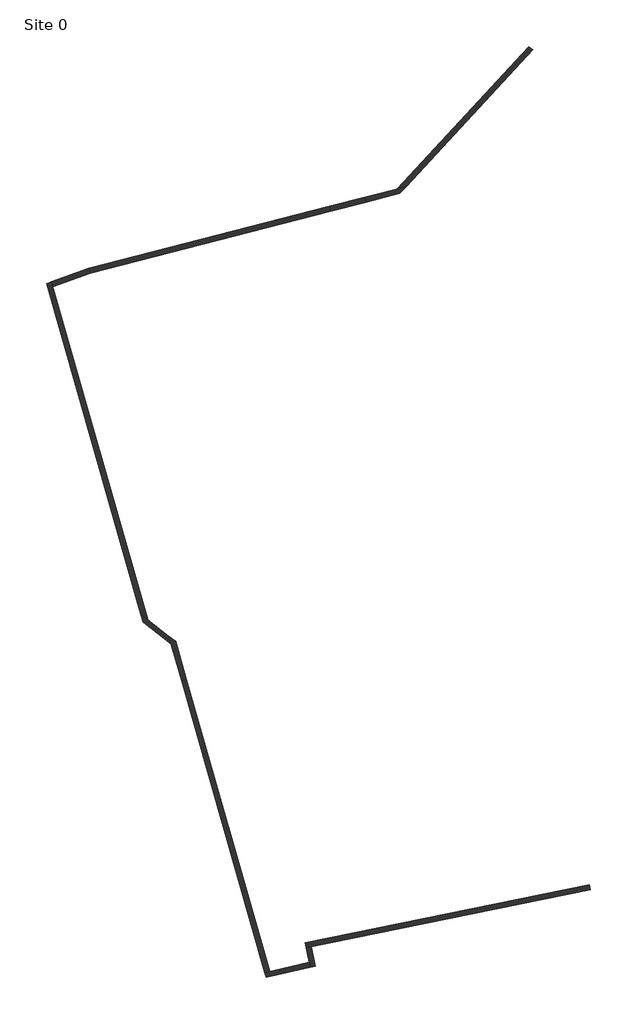
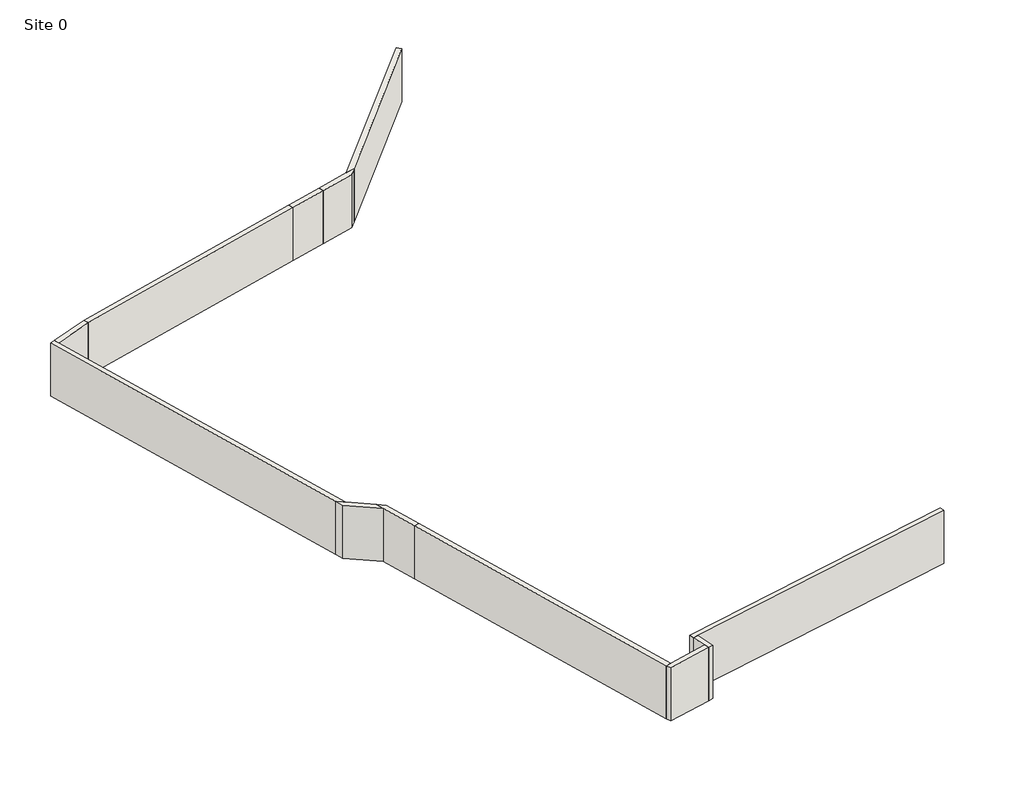
# One storey: 12 walls.
"""IFC4 building model written with IfcOpenShell, lengths in millimetres."""

from ifc_helpers import new_model, si_unit, origin, origin_with_axes, place, context, project, spatial, polyline, outline, extrude, faceted_brep, element, save

model = new_model("IFC4")

# Units and contexts
model_context = context("Model", 3, world=origin())
ifc_project = project(units=[si_unit("LENGTHUNIT", "METRE", prefix="MILLI")], contexts=[model_context])

# Site, building, storey
site = spatial("IfcSite", under=ifc_project)
building = spatial("IfcBuilding", under=site)
storey = spatial("IfcBuildingStorey", under=building, Name="Site 0", Elevation=0.0)

# Walls
placement = place(None, origin())
element("IfcWall", 1, ObjectType="Wall-Ext_215Bwk", at=placement, inside=storey, context=model_context, shape_type="SweptSolid", body=[
    extrude(outline(polyline([(-43614.1595388, 41783.800039), (-53904.0256198, 39136.4073094), (-53967.7304499, 39342.0190522), (-43667.7304499, 41992.0190522), (-43614.1595388, 41783.800039)])), origin_with_axes(), (0.0, 0.0, 1.0), 2400.0),
])
element("IfcWall", 2, ObjectType="Wall-Ext_215Bwk", at=placement, inside=storey, context=model_context, shape_type="SweptSolid", body=[
    extrude(outline(polyline([(-42093.9114218, 42176.8640326), (-43614.0354612, 41783.8319619), (-43667.8544893, 41991.9869815), (-42147.7304499, 42385.0190522), (-42093.9114218, 42176.8640326)])), origin_with_axes(), (0.0, 0.0, 1.0), 2400.0),
])
element("IfcWall", 3, ObjectType="Wall-Ext_215Bwk", at=placement, inside=storey, context=model_context, shape_type="Brep", body=[
    faceted_brep([(-42093.8974698, 42176.8676399, 0.0), (-40652.8338622, 42549.6645297, 0.0), (-40652.8338622, 42549.6645297, 2400.0), (-42093.8974698, 42176.8676399, 2400.0), (-42147.7444015, 42385.015443, 0.0), (-42147.7444015, 42385.015443, 2400.0), (-40767.7304499, 42742.0190522, 2400.0), (-40382.3673575, 42841.7108088, 2400.0), (-40382.3673575, 42841.7108088, 0.0), (-40767.7304499, 42742.0190522, 0.0)], [[[0, 1, 2, 3]], [[4, 5, 6, 7, 8, 9]], [[1, 0, 4, 9, 8]], [[3, 2, 7, 6, 5]], [[0, 3, 5, 4]], [[2, 1, 8, 7]]]),
])
element("IfcWall", 4, ObjectType="Wall-Ext_215Bwk", at=placement, inside=storey, context=model_context, shape_type="Brep", body=[
    faceted_brep([(-32544.157821, 12955.1792091, 0.0), (-44701.0179716, 10473.887705, 0.0), (-44701.0179716, 10473.887705, 2400.0), (-32544.157821, 12955.1792091, 2400.0), (-32501.1614338, 12744.5223538, 0.0), (-32501.1614338, 12744.5223538, 2400.0), (-44447.3647291, 10306.2272369, 2400.0), (-44658.0215845, 10263.2308497, 2400.0), (-44658.0215845, 10263.2308497, 0.0), (-44447.3647291, 10306.2272369, 0.0)], [[[0, 1, 2, 3]], [[4, 5, 6, 7, 8, 9]], [[1, 0, 4, 9, 8]], [[3, 2, 7, 6, 5]], [[0, 3, 5, 4]], [[2, 1, 8, 7]]]),
])
element("IfcWall", 5, ObjectType="Wall-Ext_215Bwk", at=placement, inside=storey, context=model_context, shape_type="Brep", body=[
    faceted_brep([(-44658.0215845, 10263.2308497, 0.0), (-44531.2488323, 9642.1193777, 0.0), (-44488.2370622, 9431.3871551, 0.0), (-44488.2370622, 9431.3871551, 2400.0), (-44531.2488323, 9642.1193777, 2400.0), (-44658.0215845, 10263.2308497, 2400.0), (-44447.3647291, 10306.2272369, 0.0), (-44447.3647291, 10306.2272369, 2400.0), (-44278.7304499, 9480.0190522, 2400.0), (-44278.7304499, 9480.0190522, 0.0)], [[[0, 1, 2, 3, 4, 5]], [[6, 7, 8, 9]], [[2, 1, 0, 6, 9]], [[5, 4, 3, 8, 7]], [[3, 2, 9, 8]], [[0, 5, 7, 6]]]),
])
element("IfcWall", 6, ObjectType="Wall-Ext_215Bwk", at=placement, inside=storey, context=model_context, shape_type="Brep", body=[
    faceted_brep([(-44531.2488323, 9642.1193777, 0.0), (-46225.9915137, 9248.7258192, 0.0), (-46435.677948, 9200.0521807, 0.0), (-46435.677948, 9200.0521807, 2400.0), (-46225.9915137, 9248.7258192, 2400.0), (-44531.2488323, 9642.1193777, 2400.0), (-44488.2370622, 9431.3871551, 0.0), (-44488.2370622, 9431.3871551, 2400.0), (-46376.7304499, 8993.0190522, 2400.0), (-46376.7304499, 8993.0190522, 0.0)], [[[0, 1, 2, 3, 4, 5]], [[6, 7, 8, 9]], [[2, 1, 0, 6, 9]], [[5, 4, 3, 8, 7]], [[3, 2, 9, 8]], [[0, 5, 7, 6]]]),
])
element("IfcWall", 7, ObjectType="Wall-Ext_215Bwk", at=placement, inside=storey, context=model_context, shape_type="SweptSolid", body=[
    extrude(outline(polyline([(-49787.9488489, 21758.8949342), (-46225.9915137, 9248.7258192), (-46435.677948, 9200.0521807), (-49994.7304499, 21700.0190522), (-49787.9488489, 21758.8949342)])), origin_with_axes(), (0.0, 0.0, 1.0), 2400.0),
])
element("IfcWall", 8, ObjectType="Wall-Ext_215Bwk", at=placement, inside=storey, context=model_context, shape_type="Brep", body=[
    faceted_brep([(-49787.9481641, 21758.8925291, 0.0), (-50248.1260372, 23375.2542647, 0.0), (-50248.1260372, 23375.2542647, 2400.0), (-49787.9481641, 21758.8925291, 2400.0), (-49994.7311347, 21700.0214574, 0.0), (-49994.7311347, 21700.0214574, 2400.0), (-50435.7304499, 23249.0190522, 2400.0), (-50535.6759254, 23600.0747018, 2400.0), (-50535.6759254, 23600.0747018, 0.0), (-50435.7304499, 23249.0190522, 0.0)], [[[0, 1, 2, 3]], [[4, 5, 6, 7, 8, 9]], [[1, 0, 4, 9, 8]], [[3, 2, 7, 6, 5]], [[0, 3, 5, 4]], [[2, 1, 8, 7]]]),
])
element("IfcWall", 9, ObjectType="Wall-Ext_215Bwk", at=placement, inside=storey, context=model_context, shape_type="Brep", body=[
    faceted_brep([(-50535.6759254, 23600.0747018, 0.0), (-51449.1780676, 24314.2949446, 0.0), (-51736.9473037, 24539.2868786, 0.0), (-51736.9473037, 24539.2868786, 2400.0), (-51449.1780676, 24314.2949446, 2400.0), (-50535.6759254, 23600.0747018, 2400.0), (-50435.7304499, 23249.0190522, 0.0), (-50435.7304499, 23249.0190522, 2400.0), (-51636.7304499, 24188.0190522, 2400.0), (-51636.7304499, 24188.0190522, 0.0)], [[[0, 1, 2, 3, 4, 5]], [[6, 7, 8, 9]], [[2, 1, 0, 6, 9]], [[5, 4, 3, 8, 7]], [[3, 2, 9, 8]], [[0, 5, 7, 6]]]),
])
element("IfcWall", 10, ObjectType="Wall-Ext_215Bwk", at=placement, inside=storey, context=model_context, shape_type="Brep", body=[
    faceted_brep([(-51449.1780676, 24314.2949446, 0.0), (-55511.0494596, 38551.4684381, 0.0), (-55570.1850696, 38758.7433264, 0.0), (-55570.1850696, 38758.7433264, 2400.0), (-55511.0494596, 38551.4684381, 2400.0), (-51449.1780676, 24314.2949446, 2400.0), (-51736.9473037, 24539.2868786, 0.0), (-51736.9473037, 24539.2868786, 2400.0), (-55772.7304499, 38685.0190522, 2400.0), (-55772.7304499, 38685.0190522, 0.0)], [[[0, 1, 2, 3, 4, 5]], [[6, 7, 8, 9]], [[2, 1, 0, 6, 9]], [[5, 4, 3, 8, 7]], [[3, 2, 9, 8]], [[0, 5, 7, 6]]]),
])
element("IfcWall", 11, ObjectType="Wall-Ext_215Bwk", at=placement, inside=storey, context=model_context, shape_type="SweptSolid", body=[
    extrude(outline(polyline([(-53904.0256198, 39136.4073094), (-55511.0494596, 38551.4684381), (-55570.1850696, 38758.7433264), (-53967.7304499, 39342.0190522), (-53904.0256198, 39136.4073094)])), origin_with_axes(), (0.0, 0.0, 1.0), 2400.0),
])
element("IfcWall", 12, ObjectType="Wall-Ext_215Bwk", at=placement, inside=storey, context=model_context, shape_type="SweptSolid", body=[
    extrude(outline(polyline([(-34969.9862533, 48685.9308308), (-40382.3673575, 42841.7108088), (-40767.7304499, 42742.0190522), (-35127.7304499, 48832.0190522), (-34969.9862533, 48685.9308308)])), origin_with_axes(), (0.0, 0.0, 1.0), 2400.0),
])

save(model, "model.ifc")
